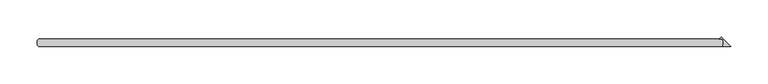
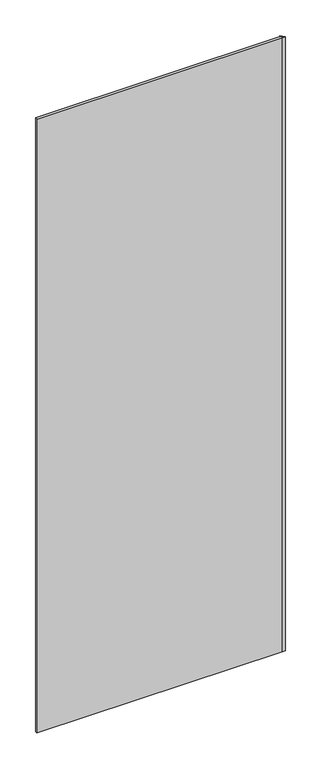
"""IFC4 building model written with IfcOpenShell, lengths in millimetres: plate geometry."""

from ifc_helpers import new_model, si_unit, origin, origin_with_axes, place, context, project, spatial, polyline, outline, extrude, source, transform, mapped, element, save


def plate_50f8ab6c(model_context):
    return source(origin(), model_context, "Body", "SweptSolid", [
        extrude(outline(polyline([(440.928125, 26.9875), (440.928125, 33.3375), (439.340625, 34.925), (435.508061, 34.925), (438.218093, 37.635032), (450.453125, 25.4), (439.340625, 25.4), (440.928125, 26.9875)])), origin_with_axes(), (0.0, 0.0, 1.0), 2417.075),
        extrude(outline(polyline([(439.340625, 25.4), (-474.265625, 25.4), (-475.853125, 26.9875), (-475.853125, 33.3375), (-474.265625, 34.925), (439.340625, 34.925), (440.928125, 33.3375), (440.928125, 26.9875), (439.340625, 25.4)])), origin_with_axes(), (0.0, 0.0, 1.0), 2417.075),
    ])


if __name__ == "__main__":
    model = new_model("IFC4")
    model_context = context("Model", 3, world=origin())
    ifc_project = project(units=[si_unit("LENGTHUNIT", "METRE", prefix="MILLI")], contexts=[model_context])
    site = spatial("IfcSite", under=ifc_project)
    building = spatial("IfcBuilding", under=site)
    placement = place(None, origin())
    plate_shape = plate_50f8ab6c(model_context)
    element("IfcPlate", 1, at=placement, inside=building, context=model_context, shape_type="MappedRepresentation", body=[
        mapped(plate_shape, transform((0.0, 0.0, 0.0), x_axis=(1.0, 0.0, 0.0), y_axis=(0.0, 1.0, 0.0), z_axis=(0.0, 0.0, 1.0))),
    ])
    save(model, "model.ifc")
